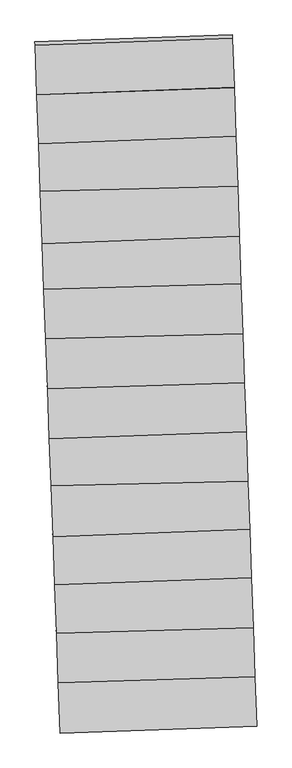
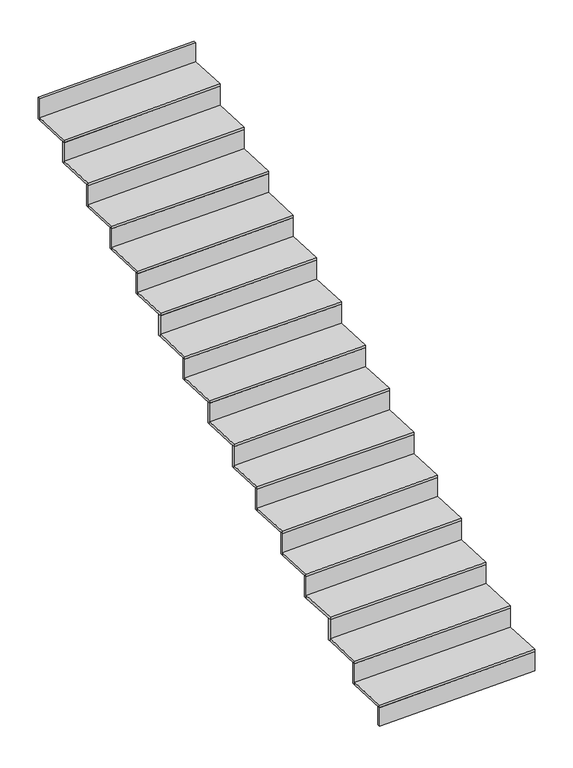
"""IFC4 building model written with IfcOpenShell, lengths in millimetres: stair flight geometry."""

from ifc_helpers import new_model, si_unit, frame, origin, place, context, project, spatial, polyline, outline, extrude, source, transform, mapped, element, save


def stair_flight_0dc9453d(model_context):
    return source(origin(), model_context, "Body", "SweptSolid", [
        extrude(outline(polyline([(-112211.9597421, 44662.4844774), (-112211.2530843, 44642.4969654), (-113405.200295, 44600.2850054), (-113405.9323692, 44620.2716187), (-112211.9597421, 44662.4844774)])), frame((0.0, 0.0, -2504.5), z_axis=(0.0, 0.0, 1.0), x_axis=(1.0, 0.0, 0.0)), (0.0, 0.0, 1.0), 149.3864079),
        extrude(outline(polyline([(-113416.3586203, 44904.9223358), (-112221.7933536, 44940.6239677), (-112211.2530843, 44642.4969654), (-113405.200295, 44600.2850054), (-113416.3586203, 44904.9223358)])), frame((0.0, 0.0, -2355.1135921), z_axis=(0.0, 0.0, 1.0), x_axis=(1.0, 0.0, 0.0)), (0.0, 0.0, 1.0), 20.0),
        extrude(outline(polyline([(-112222.5000219, 44960.6117779), (-112221.7933536, 44940.6239677), (-113416.3586203, 44904.9223358), (-113417.0907105, 44924.9093862), (-112222.5000219, 44960.6117779)])), frame((0.0, 0.0, -2355.1135921), z_axis=(0.0, 0.0, 1.0), x_axis=(1.0, 0.0, 0.0)), (0.0, 0.0, 1.0), 169.3864079),
        extrude(outline(polyline([(-113427.3399736, 45204.7280917), (-112232.3933781, 45240.4411203), (-112221.7933536, 44940.6239677), (-113416.3586203, 44904.9223358), (-113427.3399736, 45204.7280917)])), frame((0.0, 0.0, -2185.7271841), z_axis=(0.0, 0.0, 1.0), x_axis=(1.0, 0.0, 0.0)), (0.0, 0.0, 1.0), 20.0),
        extrude(outline(polyline([(-112233.1000464, 45260.4289304), (-112232.3933781, 45240.4411203), (-113427.3399736, 45204.7280917), (-113428.0720639, 45224.7151421), (-112233.1000464, 45260.4289304)])), frame((0.0, 0.0, -2185.7271841), z_axis=(0.0, 0.0, 1.0), x_axis=(1.0, 0.0, 0.0)), (0.0, 0.0, 1.0), 169.3864079),
        extrude(outline(polyline([(-113438.1370546, 45499.5029629), (-112243.1000606, 45543.2750493), (-112232.3933781, 45240.4411203), (-113427.3399736, 45204.7280917), (-113438.1370546, 45499.5029629)])), frame((0.0, 0.0, -2016.3407762), z_axis=(0.0, 0.0, 1.0), x_axis=(1.0, 0.0, 0.0)), (0.0, 0.0, 1.0), 20.0),
        extrude(outline(polyline([(-112243.8067189, 45563.2625775), (-112243.1000606, 45543.2750493), (-113438.1370546, 45499.5029629), (-113438.8691282, 45519.4895601), (-112243.8067189, 45563.2625775)])), frame((0.0, 0.0, -2016.3407762), z_axis=(0.0, 0.0, 1.0), x_axis=(1.0, 0.0, 0.0)), (0.0, 0.0, 1.0), 169.3864079),
        extrude(outline(polyline([(-113448.7594933, 45789.5098657), (-112253.4646858, 45836.4340325), (-112243.1000606, 45543.2750493), (-113438.1370546, 45499.5029629), (-113448.7594933, 45789.5098657)])), frame((0.0, 0.0, -1846.9543683), z_axis=(0.0, 0.0, 1.0), x_axis=(1.0, 0.0, 0.0)), (0.0, 0.0, 1.0), 20.0),
        extrude(outline(polyline([(-112254.1713489, 45856.4216962), (-112253.4646858, 45836.4340325), (-113448.7594933, 45789.5098657), (-113449.4915694, 45809.4965318), (-112254.1713489, 45856.4216962)])), frame((0.0, 0.0, -1846.9543683), z_axis=(0.0, 0.0, 1.0), x_axis=(1.0, 0.0, 0.0)), (0.0, 0.0, 1.0), 169.3864079),
        extrude(outline(polyline([(-113460.1784769, 46101.2635184), (-112263.7063508, 46126.115142), (-112253.4646858, 45836.4340325), (-113448.7594933, 45789.5098657), (-113460.1784769, 46101.2635184)])), frame((0.0, 0.0, -1677.5679604), z_axis=(0.0, 0.0, 1.0), x_axis=(1.0, 0.0, 0.0)), (0.0, 0.0, 1.0), 20.0),
        extrude(outline(polyline([(-112264.4130836, 46146.1047764), (-112263.7063508, 46126.115142), (-113460.1784769, 46101.2635184), (-113460.9106424, 46121.2526245), (-112264.4130836, 46146.1047764)])), frame((0.0, 0.0, -1677.5679604), z_axis=(0.0, 0.0, 1.0), x_axis=(1.0, 0.0, 0.0)), (0.0, 0.0, 1.0), 169.3864079),
        extrude(outline(polyline([(-113470.6230707, 46386.4150171), (-112274.4044848, 46428.7072815), (-112263.7063508, 46126.115142), (-113460.1784769, 46101.2635184), (-113470.6230707, 46386.4150171)])), frame((0.0, 0.0, -1508.1815524), z_axis=(0.0, 0.0, 1.0), x_axis=(1.0, 0.0, 0.0)), (0.0, 0.0, 1.0), 20.0),
        extrude(outline(polyline([(-112275.1111426, 46448.6947935), (-112274.4044848, 46428.7072815), (-113470.6230707, 46386.4150171), (-113471.3551449, 46406.4016305), (-112275.1111426, 46448.6947935)])), frame((0.0, 0.0, -1508.1815524), z_axis=(0.0, 0.0, 1.0), x_axis=(1.0, 0.0, 0.0)), (0.0, 0.0, 1.0), 169.3864079),
        extrude(outline(polyline([(-113481.6240226, 46686.7558397), (-112284.8173594, 46723.2309795), (-112274.4044848, 46428.7072815), (-113470.6230707, 46386.4150171), (-113481.6240226, 46686.7558397)])), frame((0.0, 0.0, -1338.7951445), z_axis=(0.0, 0.0, 1.0), x_axis=(1.0, 0.0, 0.0)), (0.0, 0.0, 1.0), 20.0),
        extrude(outline(polyline([(-112285.5240256, 46743.2187287), (-112284.8173594, 46723.2309795), (-113481.6240226, 46686.7558397), (-113482.35611, 46706.7428142), (-112285.5240256, 46743.2187287)])), frame((0.0, 0.0, -1338.7951445), z_axis=(0.0, 0.0, 1.0), x_axis=(1.0, 0.0, 0.0)), (0.0, 0.0, 1.0), 169.3864079),
        extrude(outline(polyline([(-113492.7682368, 46991.0079168), (-112295.3398975, 47020.8564626), (-112284.8173594, 46723.2309795), (-113481.6240226, 46686.7558397), (-113492.7682368, 46991.0079168)])), frame((0.0, 0.0, -1169.4087366), z_axis=(0.0, 0.0, 1.0), x_axis=(1.0, 0.0, 0.0)), (0.0, 0.0, 1.0), 20.0),
        extrude(outline(polyline([(-112296.0465936, 47040.8450593), (-112295.3398975, 47020.8564626), (-113492.7682368, 46991.0079168), (-113493.5003604, 47010.9958797), (-112296.0465936, 47040.8450593)])), frame((0.0, 0.0, -1169.4087366), z_axis=(0.0, 0.0, 1.0), x_axis=(1.0, 0.0, 0.0)), (0.0, 0.0, 1.0), 169.3864079),
        extrude(outline(polyline([(-113503.722967, 47290.0868261), (-112306.0866927, 47324.824961), (-112295.3398975, 47020.8564626), (-113492.7682368, 46991.0079168), (-113503.722967, 47290.0868261)])), frame((0.0, 0.0, -1000.0223286), z_axis=(0.0, 0.0, 1.0), x_axis=(1.0, 0.0, 0.0)), (0.0, 0.0, 1.0), 20.0),
        extrude(outline(polyline([(-112306.7933647, 47344.8128751), (-112306.0866927, 47324.824961), (-113503.722967, 47290.0868261), (-113504.4550618, 47310.0740027), (-112306.7933647, 47344.8128751)])), frame((0.0, 0.0, -1000.0223286), z_axis=(0.0, 0.0, 1.0), x_axis=(1.0, 0.0, 0.0)), (0.0, 0.0, 1.0), 169.3864079),
        extrude(outline(polyline([(-113513.9210255, 47568.5075786), (-112316.2530504, 47612.3760332), (-112306.0866927, 47324.824961), (-113503.722967, 47290.0868261), (-113513.9210255, 47568.5075786)])), frame((0.0, 0.0, -830.6359207), z_axis=(0.0, 0.0, 1.0), x_axis=(1.0, 0.0, 0.0)), (0.0, 0.0, 1.0), 20.0),
        extrude(outline(polyline([(-112316.9597087, 47632.3635614), (-112316.2530504, 47612.3760332), (-113513.9210255, 47568.5075786), (-113514.6530992, 47588.4941758), (-112316.9597087, 47632.3635614)])), frame((0.0, 0.0, -830.6359207), z_axis=(0.0, 0.0, 1.0), x_axis=(1.0, 0.0, 0.0)), (0.0, 0.0, 1.0), 169.3864079),
        extrude(outline(polyline([(-113525.5465041, 47885.898822), (-112327.0153422, 47916.782848), (-112316.2530504, 47612.3760332), (-113513.9210255, 47568.5075786), (-113525.5465041, 47885.898822)])), frame((0.0, 0.0, -661.2495128), z_axis=(0.0, 0.0, 1.0), x_axis=(1.0, 0.0, 0.0)), (0.0, 0.0, 1.0), 20.0),
        extrude(outline(polyline([(-112327.7220323, 47936.7712768), (-112327.0153422, 47916.782848), (-113525.5465041, 47885.898822), (-113526.2786208, 47905.8865956), (-112327.7220323, 47936.7712768)])), frame((0.0, 0.0, -661.2495128), z_axis=(0.0, 0.0, 1.0), x_axis=(1.0, 0.0, 0.0)), (0.0, 0.0, 1.0), 169.3864079),
        extrude(outline(polyline([(-113536.1066424, 48174.2048398), (-112337.6684523, 48218.101506), (-112327.0153422, 47916.782848), (-113525.5465041, 47885.898822), (-113536.1066424, 48174.2048398)])), frame((0.0, 0.0, -491.8631049), z_axis=(0.0, 0.0, 1.0), x_axis=(1.0, 0.0, 0.0)), (0.0, 0.0, 1.0), 20.0),
        extrude(outline(polyline([(-112338.3751107, 48238.0890341), (-112337.6684523, 48218.101506), (-113536.1066424, 48174.2048398), (-113536.838716, 48194.191437), (-112338.3751107, 48238.0890341)])), frame((0.0, 0.0, -491.8631049), z_axis=(0.0, 0.0, 1.0), x_axis=(1.0, 0.0, 0.0)), (0.0, 0.0, 1.0), 169.3864079),
        extrude(outline(polyline([(-113546.9728333, 48470.8665058), (-112348.1574032, 48514.7769896), (-112337.6684523, 48218.101506), (-113536.1066424, 48174.2048398), (-113546.9728333, 48470.8665058)])), frame((0.0, 0.0, -322.4766969), z_axis=(0.0, 0.0, 1.0), x_axis=(1.0, 0.0, 0.0)), (0.0, 0.0, 1.0), 20.0),
        extrude(outline(polyline([(-112348.8640616, 48534.7645178), (-112348.1574032, 48514.7769896), (-113546.9728333, 48470.8665058), (-113547.7049069, 48490.853103), (-112348.8640616, 48534.7645178)])), frame((0.0, 0.0, -322.4766969), z_axis=(0.0, 0.0, 1.0), x_axis=(1.0, 0.0, 0.0)), (0.0, 0.0, 1.0), 169.3864079),
        extrude(outline(polyline([(-112359.4307235, 48833.6380252), (-112358.7240657, 48813.6505108), (-113557.9539376, 48770.665464), (-113558.6860114, 48790.6520673), (-112359.4307235, 48833.6380252)])), frame((0.0, 0.0, -153.090289), z_axis=(0.0, 0.0, 1.0), x_axis=(1.0, 0.0, 0.0)), (0.0, 0.0, 1.0), 169.3864079),
        extrude(outline(polyline([(-113557.9539376, 48770.665464), (-112358.7240657, 48813.6505108), (-112348.1574032, 48514.7769896), (-113546.9728333, 48470.8665058), (-113557.9539376, 48770.665464)])), frame((0.0, 0.0, -153.090289), z_axis=(0.0, 0.0, 1.0), x_axis=(1.0, 0.0, 0.0)), (0.0, 0.0, 1.0), 20.0),
    ])


if __name__ == "__main__":
    model = new_model("IFC4")
    model_context = context("Model", 3, world=origin())
    ifc_project = project(units=[si_unit("LENGTHUNIT", "METRE", prefix="MILLI")], contexts=[model_context])
    site = spatial("IfcSite", under=ifc_project)
    building = spatial("IfcBuilding", under=site)
    placement = place(None, origin())
    stair_flight_shape = stair_flight_0dc9453d(model_context)
    element("IfcStairFlight", 1, at=placement, inside=building, context=model_context, shape_type="MappedRepresentation", body=[
        mapped(stair_flight_shape, transform((0.0, 0.0, 0.0), x_axis=(1.0, 0.0, 0.0), y_axis=(0.0, 1.0, 0.0), z_axis=(0.0, 0.0, 1.0))),
    ])
    save(model, "model.ifc")
